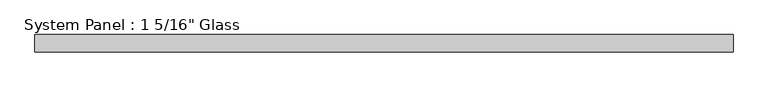
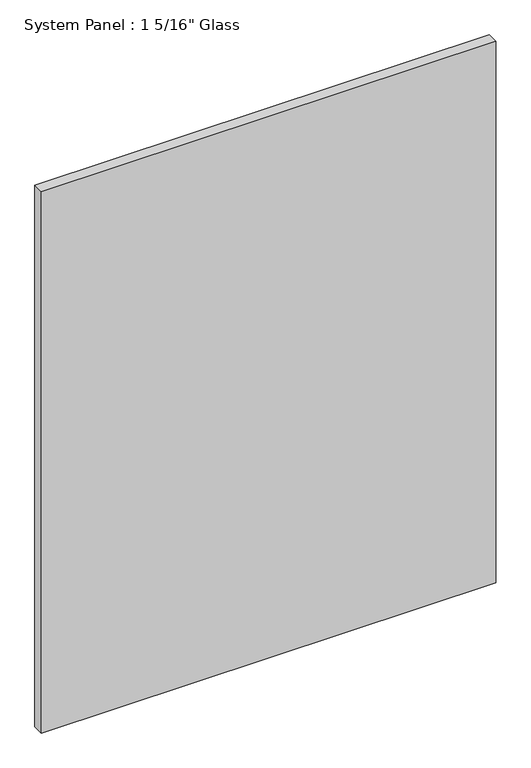
"""IFC4 building model written with IfcOpenShell, lengths in millimetres: plate geometry."""

from ifc_helpers import new_model, si_unit, origin, origin_with_axes, place, context, project, spatial, polyline, outline, extrude, source, transform, mapped, element, save


def plate_c3e471da(model_context):
    return source(origin(), model_context, "Body", "SweptSolid", [
        extrude(outline(polyline([(675.4111525, -16.66875), (-675.4111525, -16.66875), (-675.4111525, 16.66875), (675.4111525, 16.66875), (675.4111525, -16.66875)])), origin_with_axes(), (0.0, 0.0, 1.0), 1701.8),
    ])


if __name__ == "__main__":
    model = new_model("IFC4")
    model_context = context("Model", 3, world=origin())
    ifc_project = project(units=[si_unit("LENGTHUNIT", "METRE", prefix="MILLI")], contexts=[model_context])
    site = spatial("IfcSite", under=ifc_project)
    building = spatial("IfcBuilding", under=site)
    placement = place(None, origin())
    plate_shape = plate_c3e471da(model_context)
    element("IfcPlate", 1, ObjectType="System Panel : 1 5/16\" Glass", at=placement, inside=building, context=model_context, shape_type="MappedRepresentation", body=[
        mapped(plate_shape, transform((0.0, 0.0, 0.0), x_axis=(1.0, 0.0, 0.0), y_axis=(0.0, 1.0, 0.0), z_axis=(0.0, 0.0, 1.0))),
    ])
    save(model, "model.ifc")
